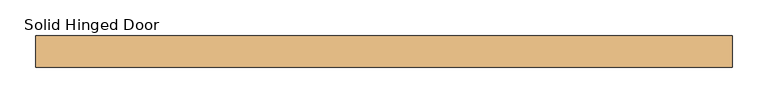
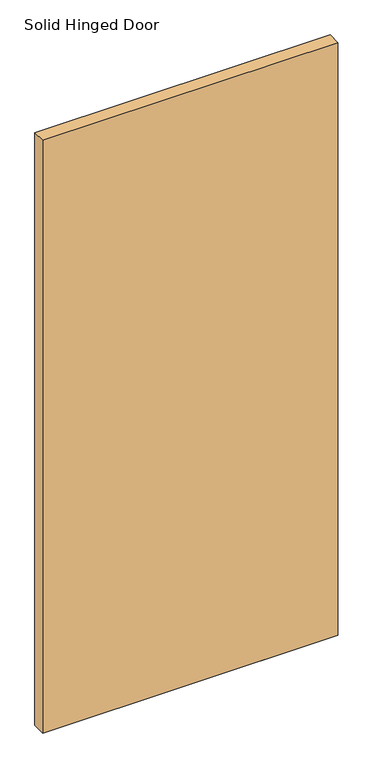
"""IFC4 building model written with IfcOpenShell, lengths in millimetres: door geometry, Solid Hinged Door."""

from ifc_helpers import new_model, si_unit, frame, origin, place, context, project, spatial, polyline, outline, extrude, source, transform, mapped, element, save


def solid_hinged_door_90493dd6(model_context):
    return source(origin(), model_context, "Body", "SweptSolid", [
        extrude(outline(polyline([(490.4564326, 22.225), (490.4564326, -22.225), (-490.4564326, -22.225), (-490.4564326, 22.225), (490.4564326, 22.225)])), frame((0.0, 0.0, 12.7), z_axis=(0.0, 0.0, 1.0), x_axis=(1.0, 0.0, 0.0)), (0.0, 0.0, 1.0), 2081.2635027),
        extrude(outline(polyline([(465.0564326, -9.0035062), (465.0564326, -10.6037062), (-465.0564326, -10.6037062), (-465.0564326, -9.0035062), (465.0564326, -9.0035062)])), frame((0.0, 0.0, 12.7), z_axis=(0.0, 0.0, 1.0), x_axis=(1.0, 0.0, 0.0)), (0.0, 0.0, 1.0), 254.0),
        extrude(outline(polyline([(465.0564326, -20.6248), (465.0564326, -22.225), (-465.0564326, -22.225), (-465.0564326, -20.6248), (465.0564326, -20.6248)])), frame((0.0, 0.0, 12.7), z_axis=(0.0, 0.0, 1.0), x_axis=(1.0, 0.0, 0.0)), (0.0, 0.0, 1.0), 254.0),
    ])


if __name__ == "__main__":
    model = new_model("IFC4")
    model_context = context("Model", 3, world=origin())
    ifc_project = project(units=[si_unit("LENGTHUNIT", "METRE", prefix="MILLI")], contexts=[model_context])
    site = spatial("IfcSite", under=ifc_project)
    building = spatial("IfcBuilding", under=site)
    placement = place(None, origin())
    solid_hinged_door_shape = solid_hinged_door_90493dd6(model_context)
    element("IfcDoor", 1, ObjectType="Solid Hinged Door", at=placement, inside=building, context=model_context, shape_type="MappedRepresentation", body=[
        mapped(solid_hinged_door_shape, transform((0.0, 0.0, 0.0), x_axis=(1.0, 0.0, 0.0), y_axis=(0.0, 1.0, 0.0), z_axis=(0.0, 0.0, 1.0))),
    ])
    save(model, "model.ifc")
